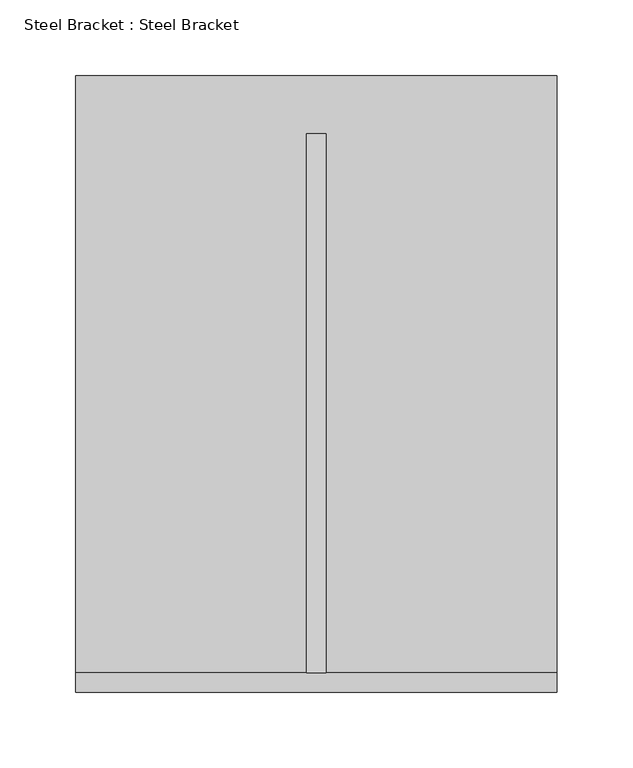
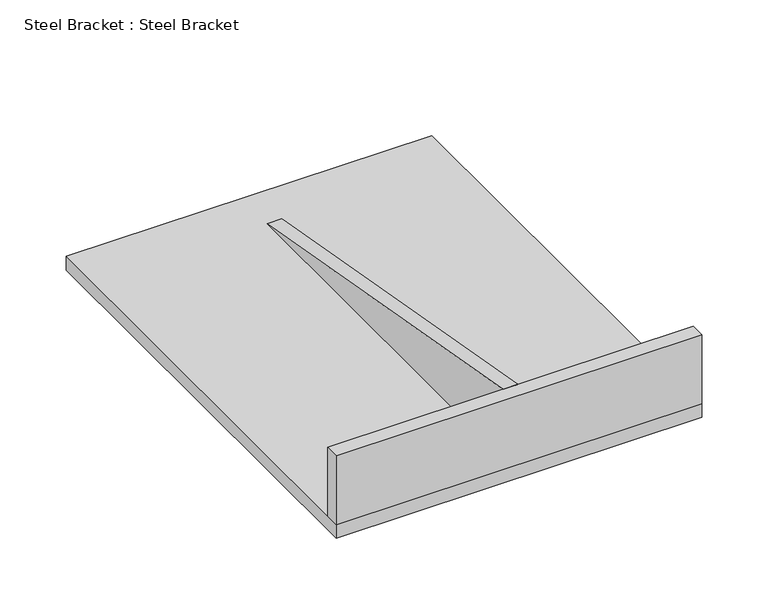
"""IFC4 building model written with IfcOpenShell, lengths in millimetres: fastener geometry, Steel Bracket : Steel Bracket."""

from ifc_helpers import new_model, si_unit, frame, origin, origin_with_axes, place, context, project, spatial, polyline, outline, extrude, source, transform, mapped, element, save


def steel_bracket_steel_bracket_7738cf99(model_context):
    return source(origin(), model_context, "Body", "SweptSolid", [
        extrude(outline(polyline([(12.7, 76.2), (368.3, 12.7), (12.7, 12.7), (12.7, 76.2)])), frame((-6.35, 0.0, 0.0), z_axis=(1.0, 0.0, 0.0), x_axis=(0.0, 1.0, 0.0)), (0.0, 0.0, 1.0), 12.7),
        extrude(outline(polyline([(158.75, 12.7), (158.75, 0.0), (-158.75, 0.0), (-158.75, 12.7), (158.75, 12.7)])), frame((0.0, 0.0, 12.7), z_axis=(0.0, 0.0, 1.0), x_axis=(1.0, 0.0, 0.0)), (0.0, 0.0, 1.0), 63.5),
        extrude(outline(polyline([(158.75, 406.4), (158.75, 0.0), (-158.75, 0.0), (-158.75, 406.4), (158.75, 406.4)])), origin_with_axes(), (0.0, 0.0, 1.0), 12.7),
    ])


if __name__ == "__main__":
    model = new_model("IFC4")
    model_context = context("Model", 3, world=origin())
    ifc_project = project(units=[si_unit("LENGTHUNIT", "METRE", prefix="MILLI")], contexts=[model_context])
    site = spatial("IfcSite", under=ifc_project)
    building = spatial("IfcBuilding", under=site)
    placement = place(None, origin())
    steel_bracket_steel_bracket_shape = steel_bracket_steel_bracket_7738cf99(model_context)
    element("IfcFastener", 1, ObjectType="Steel Bracket : Steel Bracket", at=placement, inside=building, context=model_context, shape_type="MappedRepresentation", body=[
        mapped(steel_bracket_steel_bracket_shape, transform((0.0, 0.0, 0.0), x_axis=(1.0, 0.0, 0.0), y_axis=(0.0, 1.0, 0.0), z_axis=(0.0, 0.0, 1.0))),
    ])
    save(model, "model.ifc")
